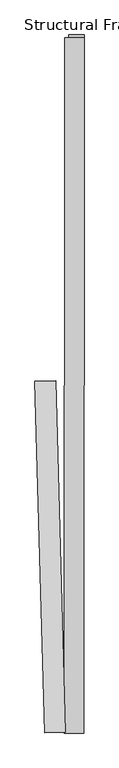
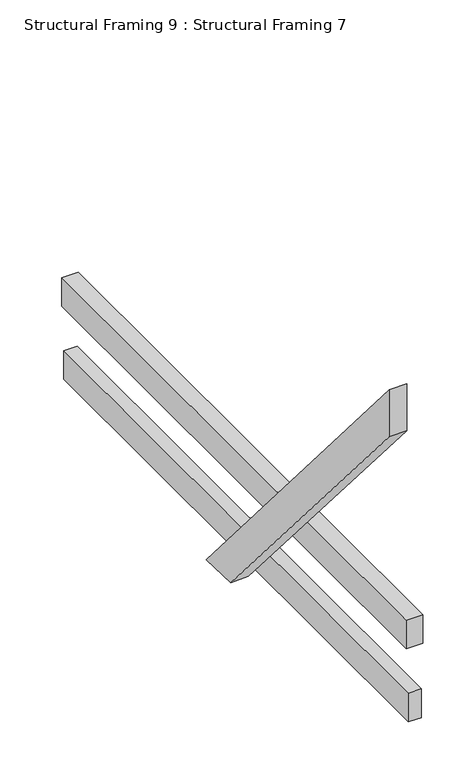
"""IFC4 building model written with IfcOpenShell, lengths in millimetres: beam geometry, Structural Framing 9 : Structural Framing 7."""

from ifc_helpers import new_model, si_unit, frame, origin, place, context, project, spatial, polyline, outline, extrude, source, transform, mapped, element, save


def structural_framing_9_structural_framing_7_a7d69afd(model_context):
    return source(origin(), model_context, "Body", "SweptSolid", [
        extrude(outline(polyline([(-1289.896915, 0.0), (120.7544113, 0.0), (42.6276262, -93.0999704), (-1175.1174402, -96.3195942), (-1289.896915, 0.0)])), frame((-40925.5185705, 32051.1302953, 109491.7883852), z_axis=(0.9996203742945688, 0.027551901843361627, 0.0), x_axis=(-0.017710903675199393, 0.642575610988667, -0.7660175638022598)), (0.0, 0.0, 1.0), 53.5896545),
        extrude(outline(polyline([(-40841.8593049, 31228.7986964), (-40840.5422125, 33020.4702765), (-40801.144681, 33020.4413146), (-40802.4617734, 31228.7697345), (-40841.8593049, 31228.7986964)])), frame((0.0, 0.0, 109400.3992286), z_axis=(0.0, 0.0, 1.0), x_axis=(1.0, 0.0, 0.0)), (0.0, 0.0, 1.0), 91.3891567),
        extrude(outline(polyline([(-40851.8280126, 31221.9004698), (-40850.5109202, 33013.5720498), (-40801.1497574, 33013.5357635), (-40802.4668498, 31221.8641834), (-40851.8280126, 31221.9004698)])), frame((0.0, 0.0, 109640.1205016), z_axis=(0.0, 0.0, 1.0), x_axis=(1.0, 0.0, 0.0)), (0.0, 0.0, 1.0), 91.3891567),
    ])


if __name__ == "__main__":
    model = new_model("IFC4")
    model_context = context("Model", 3, world=origin())
    ifc_project = project(units=[si_unit("LENGTHUNIT", "METRE", prefix="MILLI")], contexts=[model_context])
    site = spatial("IfcSite", under=ifc_project)
    building = spatial("IfcBuilding", under=site)
    placement = place(None, origin())
    structural_framing_9_structural_framing_7_shape = structural_framing_9_structural_framing_7_a7d69afd(model_context)
    element("IfcBeam", 1, ObjectType="Structural Framing 9 : Structural Framing 7", at=placement, inside=building, context=model_context, shape_type="MappedRepresentation", body=[
        mapped(structural_framing_9_structural_framing_7_shape, transform((0.0, 0.0, 0.0), x_axis=(1.0, 0.0, 0.0), y_axis=(0.0, 1.0, 0.0), z_axis=(0.0, 0.0, 1.0))),
    ])
    save(model, "model.ifc")
